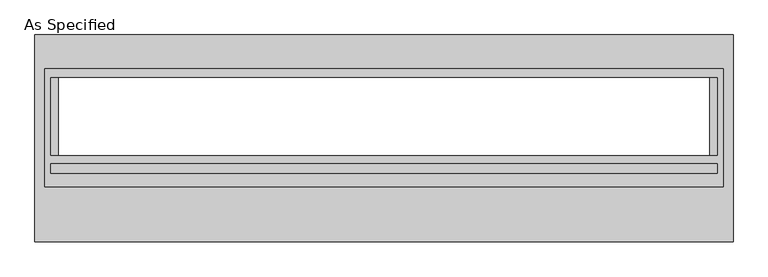
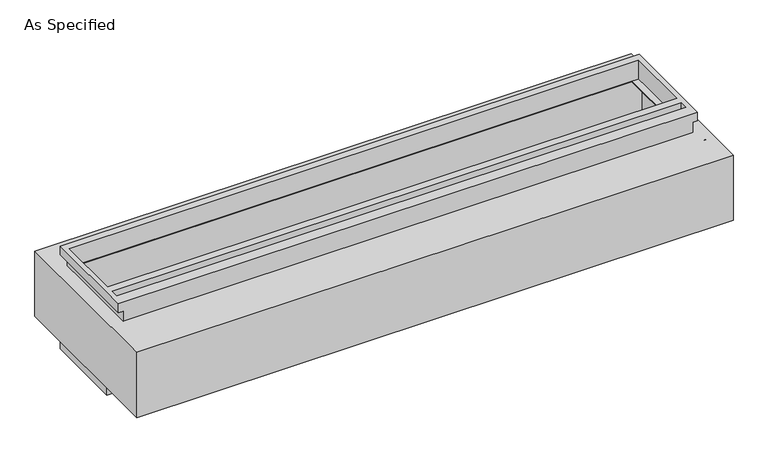
"""IFC4 building model written with IfcOpenShell, lengths in millimetres: proxy geometry, As Specified."""

from ifc_helpers import new_model, si_unit, frame, origin, place, context, project, spatial, polyline, circle_curve, faceted_brep, source, transform, mapped, element, save
from ifc_brep_helpers import plane_surface, revolved_surface, advanced_brep


def as_specified_0b6d088f(model_context):
    return source(origin(), model_context, "Body", "SolidModel", [
        faceted_brep([(2222.5, 456.4558594, -682.7242188), (2222.5, -165.8441406, -682.7242188), (-2222.5, -165.8441406, -682.7242188), (-2222.5, 456.4558594, -682.7242188), (2184.4, -108.7933661, -682.7242188), (2184.4, 399.2065905, -682.7242188), (-2184.4, 399.2065905, -682.7242188), (-2184.4, -108.7933661, -682.7242188), (-2187.575, -165.8441406, -530.3242188), (2187.575, -165.8441406, -530.3242188), (2187.575, 421.5308594, -530.3242188), (-2187.575, 421.5308594, -530.3242188), (2184.4, 399.2065905, -530.3242188), (2184.4, -108.7933661, -530.3242188), (-2184.4, -108.7933661, -530.3242188), (-2184.4, 399.2065905, -530.3242188), (-2222.5, 456.4558594, -612.8742188), (2222.5, 456.4558594, -612.8742188), (-2222.5, -165.8441406, -612.8742188), (2222.5, -165.8441406, -612.8742188), (2187.575, -165.8441406, -612.8742188), (-2187.575, -165.8441406, -612.8742188), (-2187.575, 421.5308594, -612.8742188), (2187.575, 421.5308594, -612.8742188)], [[[0, 1, 2, 3], [4, 5, 6, 7]], [[8, 9, 10, 11], [12, 13, 14, 15]], [[0, 3, 16, 17]], [[3, 2, 18, 16]], [[2, 1, 19, 20, 9, 8, 21, 18]], [[1, 0, 17, 19]], [[22, 23, 20, 19, 17, 16, 18, 21]], [[23, 10, 9, 20]], [[23, 22, 11, 10]], [[11, 22, 21, 8]], [[12, 5, 4, 13]], [[13, 4, 7, 14]], [[14, 7, 6, 15]], [[5, 12, 15, 6]]]),
        advanced_brep(
        [(2288.38125, 678.7058594, -530.3242188), (2288.38125, -678.7058594, -530.3242188), (-2288.38125, -678.7058594, -530.3242188), (-2288.38125, 678.7058594, -530.3242188), (2133.6, -108.7933661, -530.3242188), (2133.6, 399.2065905, -530.3242188), (-2133.6, 399.2065905, -530.3242188), (-2133.6, -108.7933661, -530.3242188), (2288.38125, 678.7058594, 0.0), (-2288.38125, 678.7058594, 0.0), (-2288.38125, -678.7058594, 0.0), (2288.38125, -678.7058594, 0.0), (2133.6, 399.2065905, 0.0), (2133.6, -108.7933661, 0.0), (-2133.6, -108.7933661, 0.0), (-2133.6, 399.2065905, 0.0), (2288.38125, -318.2441406, -430.3117188), (2288.38125, -340.4691406, -430.3117188), (2288.38125, -216.6441406, -430.3117188), (2288.38125, -238.8691406, -430.3117188), (2288.38125, -318.2441406, -100.1117188), (2288.38125, -340.4691406, -100.1117188), (2288.38125, -216.6441406, -100.1117188), (2288.38125, -238.8691406, -100.1117188), (2222.5, 416.7683594, -527.05), (-2222.5, 416.7683594, -527.05), (-2222.5, -129.3316406, -527.05), (2222.5, -129.3316406, -527.05), (2133.6, 399.2065905, -527.05), (2133.6, -108.7933661, -527.05), (-2133.6, -108.7933661, -527.05), (-2133.6, 399.2065905, -527.05), (2222.5, 416.7683594, -3.175), (2222.5, -129.3316406, -3.175), (-2222.5, -129.3316406, -3.175), (-2222.5, 416.7683594, -3.175), (2133.6, -108.7933661, -3.175), (2133.6, 399.2065905, -3.175), (-2133.6, 399.2065905, -3.175), (-2133.6, -108.7933661, -3.175), (2272.528271, -340.4691406, -430.3117188), (2272.528271, -318.2441406, -430.3117188), (2272.528271, -238.8691406, -430.3117188), (2272.528271, -216.6441406, -430.3117188), (2272.528271, -340.4691406, -100.1117188), (2272.528271, -318.2441406, -100.1117188), (2272.528271, -238.8691406, -100.1117188), (2272.528271, -216.6441406, -100.1117188)],
        [
            (0, 1),
            (1, 2),
            (2, 3),
            (3, 0),
            (4, 5),
            (5, 6),
            (6, 7),
            (7, 4),
            (8, 9),
            (9, 10),
            (10, 11),
            (11, 8),
            (12, 13),
            (13, 14),
            (14, 15),
            (15, 12),
            (3, 9),
            (8, 0),
            (2, 10),
            (1, 11),
            (16, 17, circle_curve(frame((2288.38125, -329.3566406, -430.3117188), z_axis=(-1.0, 0.0, 0.0), x_axis=(0.0, 1.0, 0.0)), 11.1125)),
            (17, 16, circle_curve(frame((2288.38125, -329.3566406, -430.3117188), z_axis=(-1.0, 0.0, 0.0), x_axis=(0.0, 1.0, 0.0)), 11.1125)),
            (18, 19, circle_curve(frame((2288.38125, -227.7566406, -430.3117188), z_axis=(-1.0, 0.0, 0.0), x_axis=(0.0, 1.0, 0.0)), 11.1125)),
            (19, 18, circle_curve(frame((2288.38125, -227.7566406, -430.3117188), z_axis=(-1.0, 0.0, 0.0), x_axis=(0.0, 1.0, 0.0)), 11.1125)),
            (20, 21, circle_curve(frame((2288.38125, -329.3566406, -100.1117188), z_axis=(-1.0, 0.0, 0.0), x_axis=(0.0, 1.0, 0.0)), 11.1125)),
            (21, 20, circle_curve(frame((2288.38125, -329.3566406, -100.1117188), z_axis=(-1.0, 0.0, 0.0), x_axis=(0.0, 1.0, 0.0)), 11.1125)),
            (22, 23, circle_curve(frame((2288.38125, -227.7566406, -100.1117188), z_axis=(-1.0, 0.0, 0.0), x_axis=(0.0, 1.0, 0.0)), 11.1125)),
            (23, 22, circle_curve(frame((2288.38125, -227.7566406, -100.1117188), z_axis=(-1.0, 0.0, 0.0), x_axis=(0.0, 1.0, 0.0)), 11.1125)),
            (24, 25),
            (25, 26),
            (26, 27),
            (27, 24),
            (28, 29),
            (29, 30),
            (30, 31),
            (31, 28),
            (32, 33),
            (33, 34),
            (34, 35),
            (35, 32),
            (36, 37),
            (37, 38),
            (38, 39),
            (39, 36),
            (27, 33),
            (32, 24),
            (26, 34),
            (25, 35),
            (12, 37),
            (36, 13),
            (39, 14),
            (38, 15),
            (40, 41, circle_curve(frame((2272.528271, -329.3566406, -430.3117188), z_axis=(1.0, 0.0, 0.0), x_axis=(0.0, 1.0, 0.0)), 11.1125)),
            (41, 40, circle_curve(frame((2272.528271, -329.3566406, -430.3117188), z_axis=(1.0, 0.0, 0.0), x_axis=(0.0, 1.0, 0.0)), 11.1125)),
            (42, 43, circle_curve(frame((2272.528271, -227.7566406, -430.3117188), z_axis=(1.0, 0.0, 0.0), x_axis=(0.0, 1.0, 0.0)), 11.1125)),
            (43, 42, circle_curve(frame((2272.528271, -227.7566406, -430.3117188), z_axis=(1.0, 0.0, 0.0), x_axis=(0.0, 1.0, 0.0)), 11.1125)),
            (44, 45, circle_curve(frame((2272.528271, -329.3566406, -100.1117188), z_axis=(1.0, 0.0, 0.0), x_axis=(0.0, 1.0, 0.0)), 11.1125)),
            (45, 44, circle_curve(frame((2272.528271, -329.3566406, -100.1117188), z_axis=(1.0, 0.0, 0.0), x_axis=(0.0, 1.0, 0.0)), 11.1125)),
            (46, 47, circle_curve(frame((2272.528271, -227.7566406, -100.1117188), z_axis=(1.0, 0.0, 0.0), x_axis=(0.0, 1.0, 0.0)), 11.1125)),
            (47, 46, circle_curve(frame((2272.528271, -227.7566406, -100.1117188), z_axis=(1.0, 0.0, 0.0), x_axis=(0.0, 1.0, 0.0)), 11.1125)),
            (40, 17),
            (16, 41),
            (42, 19),
            (18, 43),
            (44, 21),
            (20, 45),
            (46, 23),
            (22, 47),
            (4, 29),
            (28, 5),
            (7, 30),
            (6, 31),
        ],
        [
            plane_surface(frame((-2288.38125, 678.7058594, -530.3242188), z_axis=(0.0, 0.0, -1.0), x_axis=(1.0, 0.0, 0.0))),
            plane_surface(frame((-2288.38125, 678.7058594, 0.0), z_axis=(0.0, 0.0, 1.0), x_axis=(-1.0, 0.0, 0.0))),
            plane_surface(frame((2288.38125, 678.7058594, 0.0), z_axis=(0.0, 1.0, 0.0), x_axis=(0.0, 0.0, -1.0))),
            plane_surface(frame((-2288.38125, 678.7058594, 0.0), z_axis=(-1.0, 0.0, 0.0), x_axis=(0.0, 0.0, -1.0))),
            plane_surface(frame((-2288.38125, -678.7058594, 0.0), z_axis=(0.0, -1.0, 0.0), x_axis=(0.0, 0.0, -1.0))),
            plane_surface(frame((2288.38125, -678.7058594, 0.0), z_axis=(1.0, 0.0, 0.0), x_axis=(0.0, 0.0, -1.0))),
            plane_surface(frame((2222.5, 416.7683594, -527.05), z_axis=(0.0, 0.0, 1.0), x_axis=(0.0, -1.0, 0.0))),
            plane_surface(frame((2222.5, 416.7683594, -3.175), z_axis=(0.0, 0.0, -1.0), x_axis=(0.0, 1.0, 0.0))),
            plane_surface(frame((2222.5, 416.7683594, -527.05), z_axis=(-1.0, 0.0, 0.0), x_axis=(0.0, 0.0, 1.0))),
            plane_surface(frame((2222.5, -129.3316406, -527.05), z_axis=(0.0, 1.0, 0.0), x_axis=(0.0, 0.0, 1.0))),
            plane_surface(frame((-2222.5, -129.3316406, -527.05), z_axis=(1.0, 0.0, 0.0), x_axis=(0.0, 0.0, 1.0))),
            plane_surface(frame((-2222.5, 416.7683594, -527.05), z_axis=(0.0, -1.0, 0.0), x_axis=(0.0, 0.0, 1.0))),
            plane_surface(frame((2133.6, 399.2065905, -25.4), z_axis=(-1.0, 0.0, 0.0), x_axis=(0.0, 0.0, 1.0))),
            plane_surface(frame((2133.6, -108.7933661, -25.4), z_axis=(0.0, 1.0, 0.0), x_axis=(0.0, 0.0, 1.0))),
            plane_surface(frame((-2133.6, -108.7933661, -25.4), z_axis=(1.0, 0.0, 0.0), x_axis=(0.0, 0.0, 1.0))),
            plane_surface(frame((-2133.6, 399.2065905, -25.4), z_axis=(0.0, -1.0, 0.0), x_axis=(0.0, 0.0, 1.0))),
            plane_surface(frame((2272.528271, -318.2441406, -430.3117188), z_axis=(1.0, 0.0, 0.0), x_axis=(0.0, 0.0, -1.0))),
            revolved_surface(polyline([(2288.38125, -318.2441406, -430.3117188), (2272.528271, -318.2441406, -430.3117188)]), (2272.528271, -329.3566406, -430.3117188), (1.0, 0.0, 0.0)),
            revolved_surface(polyline([(2288.38125, -216.6441406, -430.3117188), (2272.528271, -216.6441406, -430.3117188)]), (0.0, -227.7566406, -430.3117188), (1.0, 0.0, 0.0)),
            revolved_surface(polyline([(2288.38125, -318.2441406, -100.1117187), (2272.528271, -318.2441406, -100.1117187)]), (0.0, -329.3566406, -100.1117187), (1.0, 0.0, 0.0)),
            revolved_surface(polyline([(2288.38125, -216.6441406, -100.1117188), (2272.528271, -216.6441406, -100.1117188)]), (0.0, -227.7566406, -100.1117188), (1.0, 0.0, 0.0)),
            plane_surface(frame((2133.6, -108.7933661, -504.9242188), z_axis=(-1.0, 0.0, 0.0), x_axis=(0.0, 0.0, -1.0))),
            plane_surface(frame((-2133.6, -108.7933661, -504.9242188), z_axis=(0.0, 1.0, 0.0), x_axis=(0.0, 0.0, -1.0))),
            plane_surface(frame((-2133.6, 399.2065905, -504.9242188), z_axis=(1.0, 0.0, 0.0), x_axis=(0.0, 0.0, -1.0))),
            plane_surface(frame((2133.6, 399.2065905, -504.9242188), z_axis=(0.0, -1.0, 0.0), x_axis=(0.0, 0.0, -1.0))),
        ],
        [
            (0, [[1, 2, 3, 4], [5, 6, 7, 8]]),
            (1, [[9, 10, 11, 12], [13, 14, 15, 16]]),
            (2, [[-4, 17, -9, 18]]),
            (3, [[-3, 19, -10, -17]]),
            (4, [[-2, 20, -11, -19]]),
            (5, [[-1, -18, -12, -20], [21, 22], [23, 24], [25, 26], [27, 28]]),
            (6, [[29, 30, 31, 32], [33, 34, 35, 36]]),
            (7, [[37, 38, 39, 40], [41, 42, 43, 44]]),
            (8, [[-32, 45, -37, 46]]),
            (9, [[-31, 47, -38, -45]]),
            (10, [[-30, 48, -39, -47]]),
            (11, [[-29, -46, -40, -48]]),
            (12, [[49, -41, 50, -13]]),
            (13, [[-50, -44, 51, -14]]),
            (14, [[-51, -43, 52, -15]]),
            (15, [[-49, -16, -52, -42]]),
            (16, [[53, 54]]),
            (16, [[55, 56]]),
            (16, [[57, 58]]),
            (16, [[59, 60]]),
            (17, [[-53, 61, -21, 62]]),
            (17, [[-54, -62, -22, -61]]),
            (18, [[-55, 63, -23, 64]]),
            (18, [[-56, -64, -24, -63]]),
            (19, [[-57, 65, -25, 66]]),
            (19, [[-58, -66, -26, -65]]),
            (20, [[-59, 67, -27, 68]]),
            (20, [[-60, -68, -28, -67]]),
            (21, [[69, -33, 70, -5]]),
            (22, [[-69, -8, 71, -34]]),
            (23, [[-71, -7, 72, -35]]),
            (24, [[-72, -6, -70, -36]]),
        ],
    ),
        faceted_brep([(2222.5, 456.4558594, 152.4), (-2222.5, 456.4558594, 152.4), (-2222.5, -318.2441406, 152.4), (2222.5, -318.2441406, 152.4), (2184.4, 399.2065905, 152.4), (2184.4, -108.7933661, 152.4), (-2184.4, -108.7933661, 152.4), (-2184.4, 399.2065905, 152.4), (2184.4, -167.4316406, 152.4), (2184.4, -227.7566406, 152.4), (-2184.4, -227.7566406, 152.4), (-2184.4, -167.4316406, 152.4), (2187.575, -318.2441406, 0.0), (-2187.575, -318.2441406, 0.0), (-2187.575, 421.5308594, 0.0), (2187.575, 421.5308594, 0.0), (2184.4, -108.7933661, 0.0), (2184.4, 399.2065905, 0.0), (-2184.4, 399.2065905, 0.0), (-2184.4, -108.7933661, 0.0), (2222.5, 456.4558594, 82.55), (-2222.5, 456.4558594, 82.55), (-2222.5, -318.2441406, 82.55), (-2187.575, -318.2441406, 82.55), (2187.575, -318.2441406, 82.55), (2222.5, -318.2441406, 82.55), (2187.575, 421.5308594, 82.55), (-2187.575, 421.5308594, 82.55), (2184.4, -167.4316406, 82.55), (-2184.4, -167.4316406, 82.55), (-2184.4, -227.7566406, 82.55), (2184.4, -227.7566406, 82.55)], [[[0, 1, 2, 3], [4, 5, 6, 7], [8, 9, 10, 11]], [[12, 13, 14, 15], [16, 17, 18, 19]], [[1, 0, 20, 21]], [[2, 1, 21, 22]], [[3, 2, 22, 23, 13, 12, 24, 25]], [[0, 3, 25, 20]], [[24, 26, 27, 23, 22, 21, 20, 25]], [[26, 24, 12, 15]], [[27, 26, 15, 14]], [[23, 27, 14, 13]], [[16, 5, 4, 17]], [[5, 16, 19, 6]], [[6, 19, 18, 7]], [[17, 4, 7, 18]], [[28, 29, 30, 31]], [[28, 31, 9, 8]], [[31, 30, 10, 9]], [[30, 29, 11, 10]], [[29, 28, 8, 11]]]),
    ])


if __name__ == "__main__":
    model = new_model("IFC4")
    model_context = context("Model", 3, world=origin())
    ifc_project = project(units=[si_unit("LENGTHUNIT", "METRE", prefix="MILLI")], contexts=[model_context])
    site = spatial("IfcSite", under=ifc_project)
    building = spatial("IfcBuilding", under=site)
    placement = place(None, origin())
    as_specified_shape = as_specified_0b6d088f(model_context)
    element("IfcBuildingElementProxy", 1, Name="As Specified", ObjectType="As Specified", at=placement, inside=building, context=model_context, shape_type="MappedRepresentation", body=[
        mapped(as_specified_shape, transform((0.0, 0.0, 0.0), x_axis=(1.0, 0.0, 0.0), y_axis=(0.0, 1.0, 0.0), z_axis=(0.0, 0.0, 1.0))),
    ])
    save(model, "model.ifc")
